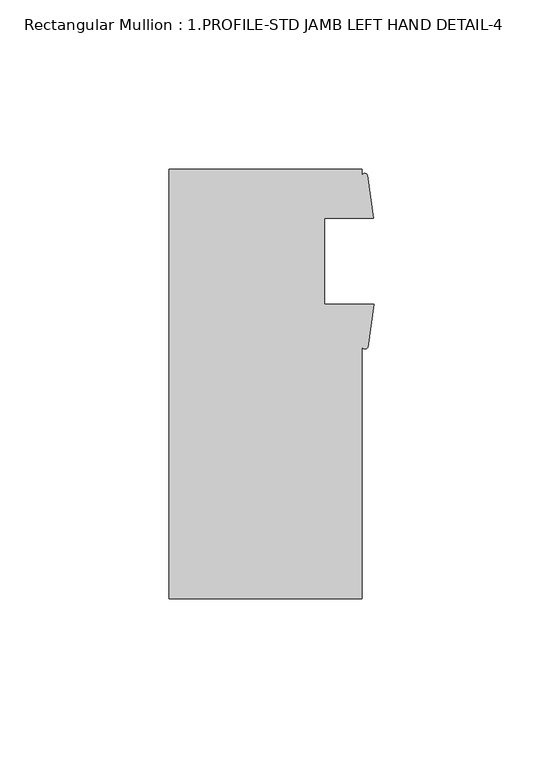
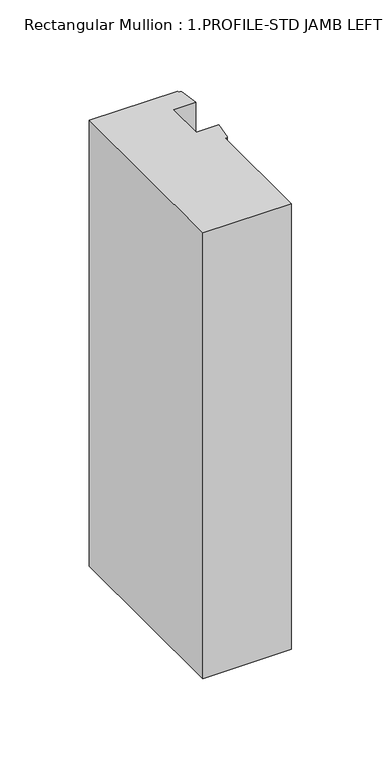
"""IFC4 building model written with IfcOpenShell, lengths in millimetres: member geometry, Rectangular Mullion : 1.PROFILE-STD JAMB LEFT HAND DETAIL-4."""

from ifc_helpers import new_model, si_unit, point, frame, frame_2d, origin, place, context, project, spatial, polyline, circle_curve, trimmed, segment, composite_curve, outline, extrude, source, transform, mapped, element, save


def rectangular_mullion_1_profile_std_jamb_left_hand_detail_4_ed75b050(model_context):
    return source(origin(), model_context, "Body", "SweptSolid", [
        extrude(outline(composite_curve([segment(polyline([(-60.6695217, -66.5659319), (-60.6695217, 60.4340681), (-3.5195217, 60.4340681), (-3.5195217, 58.6589775)]), True, "CONTINUOUS"), segment(trimmed(circle_curve(frame_2d((-2.7235368, 58.2678127)), 0.8869058), [point((-3.5195217, 58.6589775))], [point((-1.9275518, 58.6589775))], False, "CARTESIAN"), True, "CONTINUOUS"), segment(polyline([(-1.9275518, 58.6589775), (-0.1235217, 45.9305431), (-14.6320217, 45.9305431), (-14.6320217, 20.5305431), (0.0, 20.5305431), (-1.8561173, 7.7574903)]), True, "CONTINUOUS"), segment(trimmed(circle_curve(frame_2d((-2.6878195, 8.2742316)), 0.9791578), [point((-1.8561173, 7.7574903))], [point((-3.5195217, 7.7574903))], False, "CARTESIAN"), True, "CONTINUOUS"), segment(polyline([(-3.5195217, 7.7574903), (-3.5195217, -66.5659319), (-60.6695217, -66.5659319)]), True, "CONTINUOUS")], self_intersect=False)), frame((0.0, 0.0, -304.8), z_axis=(0.0, 0.0, 1.0), x_axis=(1.0, 0.0, 0.0)), (0.0, 0.0, 1.0), 304.8),
    ])


if __name__ == "__main__":
    model = new_model("IFC4")
    model_context = context("Model", 3, world=origin())
    ifc_project = project(units=[si_unit("LENGTHUNIT", "METRE", prefix="MILLI")], contexts=[model_context])
    site = spatial("IfcSite", under=ifc_project)
    building = spatial("IfcBuilding", under=site)
    placement = place(None, origin())
    rectangular_mullion_1_profile_std_jamb_left_hand_detail_4_shape = rectangular_mullion_1_profile_std_jamb_left_hand_detail_4_ed75b050(model_context)
    element("IfcMember", 1, ObjectType="Rectangular Mullion : 1.PROFILE-STD JAMB LEFT HAND DETAIL-4", at=placement, inside=building, context=model_context, shape_type="MappedRepresentation", body=[
        mapped(rectangular_mullion_1_profile_std_jamb_left_hand_detail_4_shape, transform((0.0, 0.0, 0.0), x_axis=(1.0, 0.0, 0.0), y_axis=(0.0, 1.0, 0.0), z_axis=(0.0, 0.0, 1.0))),
    ])
    save(model, "model.ifc")
